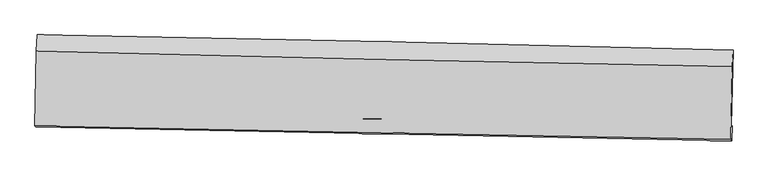
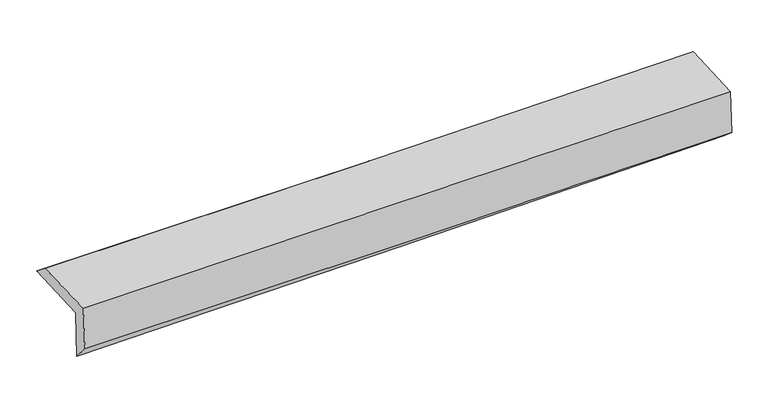
"""IFC4 building model written with IfcOpenShell, lengths in millimetres: proxy geometry."""

from ifc_helpers import new_model, si_unit, frame, origin, place, context, project, spatial, source, transform, mapped, element, save
from ifc_brep_helpers import plane_surface, spline_curve, spline_surface, advanced_brep


def generic_models_c4ee8fd3(model_context):
    return source(origin(), model_context, "Body", "AdvancedBrep", [
        advanced_brep(
        [(-3034.6149156, -1739.2130848, 1979.3468052), (-3021.4325219, -1076.3655464, 1988.6913987), (3025.4034924, -1208.1203983, 2101.6044451), (3010.1279342, -1863.8037823, 2111.5050307), (-3025.3603678, -1736.8821304, 1538.5657462), (3018.3666944, -1870.0421112, 1711.0724606), (-3031.618722, -1880.1430861, 1699.7534551), (3013.1208677, -1999.1561127, 1819.9284876), (-3039.8371407, -1870.450549, 2102.5495249), (3004.7855997, -1989.2707097, 2228.9754112), (-3026.7240043, -1220.0856435, 2103.1494831), (3019.2646114, -1354.1111117, 2234.5954299)],
        [
            (0, 1),
            (1, 2, spline_curve(3, [(-3021.4325219, -1076.3655464, 1988.6913987), (-2013.136884259, -1093.804755563, 1986.76343943), (-1005.098606824, -1113.503601149, 1995.20838752), (1010.513423502, -1157.421660166, 2032.845036566), (2018.08715082, -1181.641098438, 2062.037770205), (3025.4034924, -1208.1203983, 2101.6044451)], [4, 2, 4], [0.0, 9.922021641795974, 19.844537482858634])),
            (2, 3),
            (3, 0, spline_curve(3, [(3010.1279342, -1863.8037823, 2111.5050307), (2002.837555213, -1847.761457243, 2075.335038373), (995.451247992, -1829.357419157, 2046.23675844), (-1019.46304509, -1787.826951698, 2002.184721012), (-2026.991020983, -1764.700757126, 1987.230259189), (-3034.6149156, -1739.2130848, 1979.3468052)], [4, 2, 4], [0.0, 9.92251584106266, 19.844537482858634])),
            (4, 0),
            (3, 5),
            (5, 4, spline_curve(3, [(3018.3666944, -1870.0421112, 1711.0724606), (2010.979840903, -1852.095867483, 1681.577304593), (1003.629950825, -1832.025751492, 1652.453818061), (-1010.945732755, -1787.638879698, 1594.951617148), (-2018.171530066, -1763.322335612, 1566.572865165), (-3025.3603678, -1736.8821304, 1538.5657462)], [4, 2, 4], [0.0, 9.920823760041266, 19.841153405091365])),
            (6, 4),
            (5, 7),
            (7, 6, spline_curve(3, [(3013.1208677, -1999.1561127, 1819.9284876), (2005.717495728, -1978.721193137, 1796.709501881), (998.274965266, -1958.585741319, 1775.085213109), (-1016.638235391, -1918.914762628, 1735.027027682), (-2024.108901184, -1899.379205149, 1716.592972377), (-3031.618722, -1880.1430861, 1699.7534551)], [4, 2, 4], [0.0, 9.920400498271071, 19.840306902631887])),
            (8, 6),
            (7, 9),
            (9, 8, spline_curve(3, [(3004.7855997, -1989.2707097, 2228.9754112), (1997.34181901, -1968.812009849, 2207.629537681), (989.888822369, -1948.680741534, 2186.42085149), (-1024.985425064, -1909.074054212, 2144.278903194), (-2032.406675536, -1889.598602152, 2123.345627229), (-3039.8371407, -1870.450549, 2102.5495249)], [4, 2, 4], [0.0, 9.920047634920524, 19.839601193505448])),
            (10, 8),
            (9, 11),
            (11, 10, spline_curve(3, [(3019.2646114, -1354.1111117, 2234.5954299), (2011.510784859, -1336.103612259, 2210.742266659), (1003.788940399, -1315.930741345, 2187.861607721), (-1011.540595155, -1271.25536983, 2144.046389033), (-2019.148289125, -1246.753084592, 2123.111732316), (-3026.7240043, -1220.0856435, 2103.1494831)], [4, 2, 4], [0.0, 9.92151572045552, 19.842537291456203])),
            (1, 10),
            (11, 2),
        ],
        [
            spline_surface(3, 3, [[(-3034.6149156, -1739.2130848, 1979.3468052), (-2026.991020915, -1764.700757045, 1987.230259033), (-1019.463044963, -1787.826951564, 2002.184721015), (995.451247865, -1829.357419292, 2046.236758437), (2002.837555167, -1847.761457313, 2075.335038296), (3010.1279342, -1863.8037823, 2111.5050307)], [(-3030.220784357, -1518.263905335, 1982.461669694), (-2022.372975374, -1541.068756505, 1987.074652489), (-1014.674898923, -1563.052501458, 1999.859276546), (1000.471973097, -1605.37883289, 2041.772851091), (2007.92075373, -1625.721337632, 2070.902615641), (3015.219786935, -1645.242654298, 2108.204835494)], [(-3025.826653143, -1297.314725865, 1985.576534206), (-2017.754929861, -1317.43675596, 1986.919045963), (-1009.886752902, -1338.278051344, 1997.533832117), (1005.492698309, -1381.40024648, 2037.308943784), (2013.003952289, -1403.681217956, 2066.470193005), (3020.311639665, -1426.681526302, 2104.904640306)], [(-3021.4325219, -1076.3655464, 1988.6913987), (-2013.136884321, -1093.80475542, 1986.763439419), (-1005.098606862, -1113.503601238, 1995.208387648), (1010.513423541, -1157.421660077, 2032.845036438), (2018.087150852, -1181.641098274, 2062.03777035), (3025.4034924, -1208.1203983, 2101.6044451)]], [4, 4], [4, 2, 4], [0.0, 2.2092102928531383], [0.0, 9.922021641795974, 19.844537482858634]),
            spline_surface(3, 3, [[(-3025.3603678, -1736.8821304, 1538.5657462), (-2018.17153007, -1763.322335531, 1566.572865252), (-1010.945732833, -1787.638879694, 1594.951617045), (1003.629950902, -1832.025751497, 1652.453818164), (2010.979841031, -1852.095867642, 1681.577304489), (3018.3666944, -1870.0421112, 1711.0724606)], [(-3028.445217071, -1737.659115199, 1685.492765856), (-2021.111360357, -1763.781809367, 1706.791996502), (-1013.784836905, -1787.701570304, 1730.69598503), (1000.903716528, -1831.136307415, 1783.71479825), (2008.265745728, -1850.651064198, 1812.829882403), (3015.620440985, -1867.962668232, 1844.549983945)], [(-3031.530066329, -1738.436100001, 1832.419785544), (-2024.051190629, -1764.241283208, 1847.011127783), (-1016.623940891, -1787.764260953, 1866.440353029), (998.17748224, -1830.246863373, 1914.975778351), (2005.55165047, -1849.206260758, 1944.082460382), (3012.874187615, -1865.883225268, 1978.027507355)], [(-3034.6149156, -1739.2130848, 1979.3468052), (-2026.991020915, -1764.700757045, 1987.230259033), (-1019.463044963, -1787.826951564, 2002.184721015), (995.451247865, -1829.357419292, 2046.236758437), (2002.837555167, -1847.761457313, 2075.335038296), (3010.1279342, -1863.8037823, 2111.5050307)]], [4, 4], [4, 2, 4], [0.0, 1.314293301910808], [0.0, 9.9203296450501, 19.841153405091365]),
            spline_surface(3, 3, [[(-3031.618722, -1880.1430861, 1699.7534551), (-2024.108901198, -1899.379205163, 1716.592972258), (-1016.638235295, -1918.914762465, 1735.027027741), (998.27496517, -1958.585741483, 1775.08521305), (2005.717495838, -1978.721193085, 1796.709501756), (3013.1208677, -1999.1561127, 1819.9284876)], [(-3029.532603927, -1832.389434194, 1646.02421881), (-2022.129777482, -1854.026915279, 1666.586269933), (-1014.740734451, -1875.156134872, 1688.33522418), (1000.059960437, -1916.399078151, 1734.208081426), (2007.471610929, -1936.512751263, 1758.332102696), (3014.869476626, -1956.118112192, 1783.643145296)], [(-3027.446485873, -1784.635782306, 1592.29498249), (-2020.150653786, -1808.674625414, 1616.579567577), (-1012.843233676, -1831.397507287, 1641.643420605), (1001.844955635, -1874.212414828, 1693.330949788), (2009.225725941, -1894.304309464, 1719.954703549), (3016.618085474, -1913.080111708, 1747.357802904)], [(-3025.3603678, -1736.8821304, 1538.5657462), (-2018.17153007, -1763.322335531, 1566.572865252), (-1010.945732833, -1787.638879694, 1594.951617045), (1003.629950902, -1832.025751497, 1652.453818164), (2010.979841031, -1852.095867642, 1681.577304489), (3018.3666944, -1870.0421112, 1711.0724606)]], [4, 4], [4, 2, 4], [0.0, 0.6041015941798515], [0.0, 9.919906404360816, 19.840306902631887]),
            spline_surface(3, 3, [[(-3039.8371407, -1870.450549, 2102.5495249), (-2032.406675392, -1889.59860215, 2123.345627225), (-1024.985425207, -1909.074054065, 2144.278903119), (989.888822511, -1948.680741682, 2186.420851565), (1997.341819126, -1968.812010004, 2207.629537748), (3004.7855997, -1989.2707097, 2228.9754112)], [(-3037.097667802, -1873.6813947, 1968.284168303), (-2029.640750663, -1892.858803154, 1987.761408906), (-1022.20302858, -1912.354290205, 2007.861611336), (992.684203386, -1951.982408288, 2049.308972069), (2000.133711359, -1972.115071013, 2070.656192399), (3007.564022362, -1992.565844016, 2092.626436648)], [(-3034.358194898, -1876.9122404, 1834.018811697), (-2026.874825927, -1896.119004159, 1852.177190577), (-1019.420631921, -1915.634526326, 1871.444319524), (995.479584295, -1955.284074876, 1912.197092545), (2002.925603606, -1975.418132076, 1933.682847105), (3010.342445038, -1995.860978384, 1956.277462152)], [(-3031.618722, -1880.1430861, 1699.7534551), (-2024.108901198, -1899.379205163, 1716.592972258), (-1016.638235295, -1918.914762465, 1735.027027741), (998.27496517, -1958.585741483, 1775.08521305), (2005.717495838, -1978.721193085, 1796.709501756), (3013.1208677, -1999.1561127, 1819.9284876)]], [4, 4], [4, 2, 4], [0.0, 1.346777719470564], [0.0, 9.919553558584925, 19.839601193505448]),
            spline_surface(3, 3, [[(-3026.7240043, -1220.0856435, 2103.1494831), (-2019.148289217, -1246.753084473, 2123.111732471), (-1011.540595069, -1271.255369697, 2144.046389018), (1003.788940312, -1315.930741478, 2187.861607736), (2011.510784731, -1336.103612274, 2210.742266813), (3019.2646114, -1354.1111117, 2234.5954299)], [(-3031.095049769, -1436.873945361, 2102.949497026), (-2023.567751278, -1461.034923726, 2123.189697381), (-1016.022205119, -1483.861597819, 2144.123893704), (999.155567708, -1526.847408212, 2187.381355664), (2006.787796193, -1547.006411521, 2209.704690474), (3014.438274164, -1565.830977703, 2232.722090349)], [(-3035.466095231, -1653.662247139, 2102.749510974), (-2027.987213331, -1675.316762897, 2123.267662314), (-1020.503815156, -1696.467825943, 2144.201398433), (994.522195116, -1737.764074948, 2186.901103636), (2002.064807663, -1757.909210757, 2208.667114088), (3009.611936936, -1777.550843697, 2230.848750751)], [(-3039.8371407, -1870.450549, 2102.5495249), (-2032.406675392, -1889.59860215, 2123.345627225), (-1024.985425207, -1909.074054065, 2144.278903119), (989.888822511, -1948.680741682, 2186.420851565), (1997.341819126, -1968.812010004, 2207.629537748), (3004.7855997, -1989.2707097, 2228.9754112)]], [4, 4], [4, 2, 4], [0.0, 2.0847493922737654], [0.0, 9.921021571000683, 19.842537291456203]),
            spline_surface(3, 3, [[(-3021.4325219, -1076.3655464, 1988.6913987), (-2013.136884321, -1093.80475542, 1986.763439419), (-1005.098606862, -1113.503601238, 1995.208387648), (1010.513423541, -1157.421660077, 2032.845036438), (2018.087150852, -1181.641098274, 2062.03777035), (3025.4034924, -1208.1203983, 2101.6044451)], [(-3023.196349374, -1124.272245411, 2026.84409351), (-2015.14068596, -1144.787531749, 2032.212870447), (-1007.24593625, -1166.087524066, 2044.821054789), (1008.271929146, -1210.258020552, 2084.517226888), (2015.895028806, -1233.128602966, 2111.605935839), (3023.357198728, -1256.783969458, 2145.934773369)], [(-3024.960176826, -1172.178944489, 2064.99678829), (-2017.144487578, -1195.770308144, 2077.662301444), (-1009.393265681, -1218.67144687, 2094.433721877), (1006.030434707, -1263.094381003, 2136.189417286), (2013.702906777, -1284.616107583, 2161.174101323), (3021.310905072, -1305.447540542, 2190.265101631)], [(-3026.7240043, -1220.0856435, 2103.1494831), (-2019.148289217, -1246.753084473, 2123.111732471), (-1011.540595069, -1271.255369697, 2144.046389018), (1003.788940312, -1315.930741478, 2187.861607736), (2011.510784731, -1336.103612274, 2210.742266813), (3019.2646114, -1354.1111117, 2234.5954299)]], [4, 4], [4, 2, 4], [0.0, 0.7197726325828939], [0.0, 9.922984470854336, 19.846463188932262]),
            plane_surface(frame((3015.1782, -1714.0840376, 2034.6135442), z_axis=(0.9995171964629441, -0.02296998493657156, 0.020922565972416936), x_axis=(0.020367116864293773, -0.024154851099336395, -0.9995007372278447))),
            plane_surface(frame((-3029.9312787, -1587.1900067, 1902.0094022), z_axis=(-0.9995784334955466, 0.020173498783198417, -0.02088025951546954), x_axis=(-0.01988161355824769, -0.9997030037486319, -0.014093464381884779))),
        ],
        [
            (0, [[1, 2, 3, 4]]),
            (1, [[5, -4, 6, 7]]),
            (2, [[8, -7, 9, 10]]),
            (3, [[11, -10, 12, 13]]),
            (4, [[14, -13, 15, 16]]),
            (5, [[17, -16, 18, -2]]),
            (6, [[-12, -9, -6, -3, -18, -15]]),
            (7, [[-1, -5, -8, -11, -14, -17]]),
        ],
    ),
    ])


if __name__ == "__main__":
    model = new_model("IFC4")
    model_context = context("Model", 3, world=origin())
    ifc_project = project(units=[si_unit("LENGTHUNIT", "METRE", prefix="MILLI")], contexts=[model_context])
    site = spatial("IfcSite", under=ifc_project)
    building = spatial("IfcBuilding", under=site)
    placement = place(None, origin())
    generic_models_shape = generic_models_c4ee8fd3(model_context)
    element("IfcBuildingElementProxy", 1, Name="Generic Models", at=placement, inside=building, context=model_context, shape_type="MappedRepresentation", body=[
        mapped(generic_models_shape, transform((0.0, 0.0, 0.0), x_axis=(1.0, 0.0, 0.0), y_axis=(0.0, 1.0, 0.0), z_axis=(0.0, 0.0, 1.0))),
    ])
    save(model, "model.ifc")
